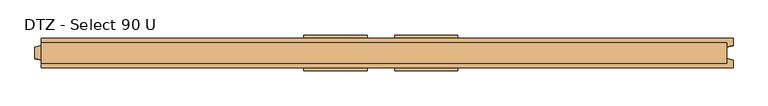
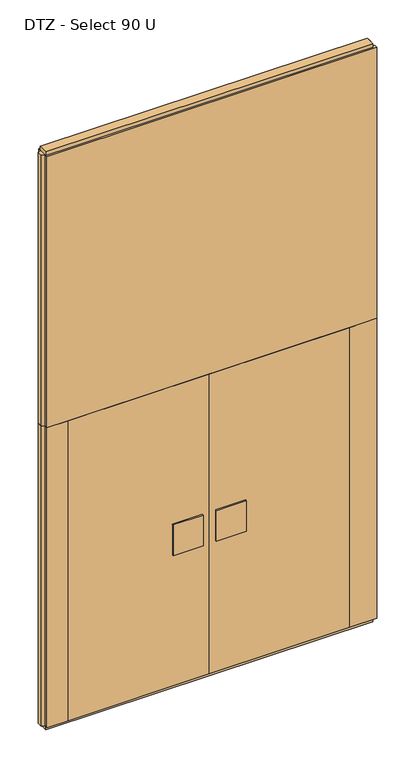
"""IFC4 building model written with IfcOpenShell, lengths in millimetres: door geometry, DTZ - Select 90 U."""

import ifcopenshell
import ifcopenshell.guid

model = None  # the IFC model being written
_history = None  # IfcOwnerHistory: only IFC2X3 demands one
_inside = {}  # id of a spatial element -> (the spatial element, [elements in it])
_under = {}  # id of a project, library or spatial element -> (it, [spatial elements below it])
_declared = {}  # id of a project -> (the project, [libraries it declares])
_typed = {}  # id of a type object -> (the type object, [elements of that type])
_made_of = {}  # id of a material, layer set ... -> (it, [elements and type objects made of it])


def new_model(schema):
    """Start an empty IFC model of exactly this schema.

    Asked for "IFC4X3", IfcOpenShell would pick the latest addendum, in which some entities
    have other attributes; the version numbers below select the first issue.
    IFC2X3 requires an IfcOwnerHistory on every rooted entity: one is made here for all.
    """
    global model, _history
    if schema == "IFC4X3":
        model = ifcopenshell.file(schema_version=(4, 3, 0, 0))
    else:
        model = ifcopenshell.file(schema=schema)
    _inside.clear()
    _under.clear()
    _declared.clear()
    _typed.clear()
    _made_of.clear()
    _history = None
    if model.schema == "IFC2X3":
        org = make("IfcOrganization", Name="unknown")
        user = make(
            "IfcPersonAndOrganization",
            ThePerson=make("IfcPerson", FamilyName="unknown"),
            TheOrganization=org,
        )
        app = make(
            "IfcApplication",
            ApplicationDeveloper=org,
            Version="unknown",
            ApplicationFullName="unknown",
            ApplicationIdentifier="unknown",
        )
        _history = make(
            "IfcOwnerHistory",
            OwningUser=user,
            OwningApplication=app,
            ChangeAction="ADDED",
            CreationDate=0,
        )
    return model


def make(cls, **values):
    """One entity of the class cls with the attributes given. An attribute that is None is left unset."""
    return model.create_entity(
        cls, **{name: value for name, value in values.items() if value is not None}
    )


def rooted(cls, **values):
    """An entity with a GlobalId (a new one), such as an element, a storey or a relation."""
    return make(cls, GlobalId=ifcopenshell.guid.new(), OwnerHistory=_history, **values)


def si_unit(unit_type, name, prefix=None):
    """IfcSIUnit, for example si_unit("LENGTHUNIT", "METRE", prefix="MILLI")."""
    return make("IfcSIUnit", UnitType=unit_type, Prefix=prefix, Name=name)


def assignment(units):
    """IfcUnitAssignment: the units of a project."""
    return None if units is None else make("IfcUnitAssignment", Units=units)


def point(xyz):
    """IfcCartesianPoint."""
    return None if xyz is None else make("IfcCartesianPoint", Coordinates=xyz)


def direction(xyz):
    """IfcDirection."""
    return None if xyz is None else make("IfcDirection", DirectionRatios=xyz)


def frame(location, z_axis=None, x_axis=None):
    """IfcAxis2Placement3D, a coordinate frame: its origin and axes. An axis left out is left unset."""
    return make(
        "IfcAxis2Placement3D",
        Location=point(location),
        Axis=direction(z_axis),
        RefDirection=direction(x_axis),
    )


def origin():
    """The frame at (0, 0, 0) with its axes left unset."""
    return frame((0.0, 0.0, 0.0))


def origin_with_axes():
    """The frame at (0, 0, 0) with the z axis (0, 0, 1) and the x axis (1, 0, 0) written out."""
    return frame((0.0, 0.0, 0.0), z_axis=(0.0, 0.0, 1.0), x_axis=(1.0, 0.0, 0.0))


def place(relative_to, where):
    """IfcLocalPlacement: puts the frame where relative to a parent placement (None: the world)."""
    return make(
        "IfcLocalPlacement", PlacementRelTo=relative_to, RelativePlacement=where
    )


def context(
    kind, dimensions, precision=None, world=None, true_north=None, identifier=None
):
    """IfcGeometricRepresentationContext, for example the 3D "Model" context."""
    return make(
        "IfcGeometricRepresentationContext",
        ContextIdentifier=identifier,
        ContextType=kind,
        CoordinateSpaceDimension=dimensions,
        Precision=precision,
        WorldCoordinateSystem=world,
        TrueNorth=true_north,
    )


def project(units=None, contexts=None):
    """IfcProject with its units and contexts."""
    return rooted(
        "IfcProject",
        Name="project",
        RepresentationContexts=contexts,
        UnitsInContext=assignment(units),
    )


def spatial(cls, under=None, at=None, **own):
    """A site, building, storey or space (cls), placed at a placement, below another one or the project."""
    s = rooted(cls, ObjectPlacement=at, **own)
    if under is not None:
        _under.setdefault(under.id(), (under, []))[1].append(s)
    return s


def polyline(points):
    """IfcPolyline through the points."""
    return make("IfcPolyline", Points=[point(p) for p in points])


def outline(outer, holes=None, kind="AREA"):
    """IfcArbitraryClosedProfileDef: a profile drawn as a closed curve; with holes, ...WithVoids."""
    if holes is None:
        return make("IfcArbitraryClosedProfileDef", ProfileType=kind, OuterCurve=outer)
    return make(
        "IfcArbitraryProfileDefWithVoids",
        ProfileType=kind,
        OuterCurve=outer,
        InnerCurves=holes,
    )


def extrude(swept, where, along, depth):
    """IfcExtrudedAreaSolid: the profile swept, set in the frame where, extruded along a direction by depth."""
    return make(
        "IfcExtrudedAreaSolid",
        SweptArea=swept,
        Position=where,
        ExtrudedDirection=direction(along),
        Depth=depth,
    )


def shape(context_of_items, identifier, shape_type, items):
    """IfcShapeRepresentation: the items that make up one representation, for example the "Body"."""
    return make(
        "IfcShapeRepresentation",
        ContextOfItems=context_of_items,
        RepresentationIdentifier=identifier,
        RepresentationType=shape_type,
        Items=items,
    )


def source(mapping_origin, context_of_items, identifier, shape_type, items):
    """IfcRepresentationMap: a shape defined once, which mapped items show again and again."""
    return make(
        "IfcRepresentationMap",
        MappingOrigin=mapping_origin,
        MappedRepresentation=shape(context_of_items, identifier, shape_type, items),
    )


def transform(
    local_origin,
    x_axis=None,
    y_axis=None,
    z_axis=None,
    scale=None,
    scale2=None,
    scale3=None,
    uniform=True,
):
    """IfcCartesianTransformationOperator3D, or its non-uniform kind. x_axis, y_axis, z_axis: its Axis1, 2, 3."""
    if uniform:
        return make(
            "IfcCartesianTransformationOperator3D",
            Axis1=direction(x_axis),
            Axis2=direction(y_axis),
            LocalOrigin=point(local_origin),
            Scale=scale,
            Axis3=direction(z_axis),
        )
    return make(
        "IfcCartesianTransformationOperator3DnonUniform",
        Axis1=direction(x_axis),
        Axis2=direction(y_axis),
        LocalOrigin=point(local_origin),
        Scale=scale,
        Axis3=direction(z_axis),
        Scale2=scale2,
        Scale3=scale3,
    )


def mapped(mapping_source, mapping_target):
    """IfcMappedItem: shows the shape of a source again, moved by a transform."""
    return make(
        "IfcMappedItem", MappingSource=mapping_source, MappingTarget=mapping_target
    )


def made_of(thing, what):
    """Note that an element or type object is made of a material, layer set ...; save() writes the relation."""
    if what is not None:
        _made_of.setdefault(what.id(), (what, []))[1].append(thing)
    return thing


def element(
    cls,
    number,
    at=None,
    inside=None,
    cuts=None,
    type_object=None,
    material=None,
    context=None,
    identifier="Body",
    shape_type=None,
    held_by="IfcProductDefinitionShape",
    body=None,
    shapes=None,
    **own,
):
    """One element of the class cls, such as IfcWall. Its Tag is "e" and its number.

    at: its placement. inside: the storey or other place that contains it. cuts: it is an
    opening in that element (IfcRelVoidsElement). A single representation is given by context,
    identifier, shape_type and body (its items); several are given by shapes. held_by: the class
    of the entity that holds the representations. save() writes the other relations.
    """
    e = rooted(cls, Tag="e%d" % number, ObjectPlacement=at, **own)
    if body is not None:
        shapes = [shape(context, identifier, shape_type, body)]
    if shapes is not None:
        e.Representation = make(held_by, Representations=shapes)
    if inside is not None:
        _inside.setdefault(inside.id(), (inside, []))[1].append(e)
    if cuts is not None:
        rooted(
            "IfcRelVoidsElement", RelatingBuildingElement=cuts, RelatedOpeningElement=e
        )
    if type_object is not None:
        _typed.setdefault(type_object.id(), (type_object, []))[1].append(e)
    return made_of(e, material)


def aggregate(whole, parts):
    """IfcRelAggregates: a whole, such as a stair, and the parts it consists of."""
    return rooted("IfcRelAggregates", RelatingObject=whole, RelatedObjects=parts)


def save(model, path):
    """Write the relations noted so far, then the file.

    IfcRelAggregates (storeys below a building ...), IfcRelContainedInSpatialStructure (elements
    in a storey), IfcRelDefinesByType, IfcRelAssociatesMaterial and IfcRelDeclares: one each for
    every whole, place, type object, material and project.
    """
    for whole, parts in _under.values():
        aggregate(whole, parts)
    for where, things in _inside.values():
        rooted(
            "IfcRelContainedInSpatialStructure",
            RelatedElements=things,
            RelatingStructure=where,
        )
    for kind, things in _typed.values():
        rooted("IfcRelDefinesByType", RelatedObjects=things, RelatingType=kind)
    for what, things in _made_of.values():
        rooted("IfcRelAssociatesMaterial", RelatedObjects=things, RelatingMaterial=what)
    for by, libraries in _declared.values():
        rooted("IfcRelDeclares", RelatingContext=by, RelatedDefinitions=libraries)
    model.write(path)


def dtz_select_90_u_ca05f7d1(model_context):
    return source(origin(), model_context, "Body", "SweptSolid", [
        extrude(outline(polyline([(43.0, -56.0), (43.0, -46.0), (240.0, -46.0), (240.0, -56.0), (43.0, -56.0)])), frame((0.0, 0.0, 934.0), z_axis=(0.0, 0.0, 1.0), x_axis=(1.0, 0.0, 0.0)), (0.0, 0.0, 1.0), 212.0),
        extrude(outline(polyline([(43.0, 46.0), (43.0, 56.0), (240.0, 56.0), (240.0, 46.0), (43.0, 46.0)])), frame((0.0, 0.0, 934.0), z_axis=(0.0, 0.0, 1.0), x_axis=(1.0, 0.0, 0.0)), (0.0, 0.0, 1.0), 212.0),
        extrude(outline(polyline([(-920.0, -46.0), (-920.0, 46.0), (0.0, 46.0), (0.0, -46.0), (-920.0, -46.0)])), frame((0.0, 0.0, 25.0), z_axis=(0.0, 0.0, 1.0), x_axis=(1.0, 0.0, 0.0)), (0.0, 0.0, 1.0), 2075.0),
        extrude(outline(polyline([(0.0, -46.0), (0.0, 46.0), (920.0, 46.0), (920.0, -46.0), (0.0, -46.0)])), frame((0.0, 0.0, 25.0), z_axis=(0.0, 0.0, 1.0), x_axis=(1.0, 0.0, 0.0)), (0.0, 0.0, 1.0), 2075.0),
        extrude(outline(polyline([(-240.0, -56.0), (-240.0, -46.0), (-43.0, -46.0), (-43.0, -56.0), (-240.0, -56.0)])), frame((0.0, 0.0, 934.0), z_axis=(0.0, 0.0, 1.0), x_axis=(1.0, 0.0, 0.0)), (0.0, 0.0, 1.0), 212.0),
        extrude(outline(polyline([(-240.0, 46.0), (-240.0, 56.0), (-43.0, 56.0), (-43.0, 46.0), (-240.0, 46.0)])), frame((0.0, 0.0, 934.0), z_axis=(0.0, 0.0, 1.0), x_axis=(1.0, 0.0, 0.0)), (0.0, 0.0, 1.0), 212.0),
        extrude(outline(polyline([(1080.0, 32.0), (1080.0, -32.0), (-1060.0, -32.0), (-1060.0, 32.0), (1080.0, 32.0)])), origin_with_axes(), (0.0, 0.0, 1.0), 25.0),
        extrude(outline(polyline([(1080.0, 32.0), (1080.0, -32.0), (-1060.0, -32.0), (-1060.0, 32.0), (1080.0, 32.0)])), frame((0.0, 0.0, 3975.0), z_axis=(0.0, 0.0, 1.0), x_axis=(1.0, 0.0, 0.0)), (0.0, 0.0, 1.0), 25.0),
        extrude(outline(polyline([(1100.0, -46.0), (920.0, -46.0), (920.0, 46.0), (1100.0, 46.0), (1100.0, 23.0), (1080.0, 17.6410162), (1080.0, -17.6410162), (1100.0, -23.0), (1100.0, -46.0)])), frame((0.0, 0.0, 25.0), z_axis=(0.0, 0.0, 1.0), x_axis=(1.0, 0.0, 0.0)), (0.0, 0.0, 1.0), 2075.0),
        extrude(outline(polyline([(-1060.0, -46.0), (-1060.0, -23.0), (-1080.0, -17.6410162), (-1080.0, 17.6410162), (-1060.0, 23.0), (-1060.0, 46.0), (-920.0, 46.0), (-920.0, -46.0), (-1060.0, -46.0)])), frame((0.0, 0.0, 25.0), z_axis=(0.0, 0.0, 1.0), x_axis=(1.0, 0.0, 0.0)), (0.0, 0.0, 1.0), 2075.0),
        extrude(outline(polyline([(1100.0, 46.0), (1100.0, 23.0), (1080.0, 17.6410162), (1080.0, -17.6410162), (1100.0, -23.0), (1100.0, -46.0), (-1060.0, -46.0), (-1060.0, -23.0), (-1080.0, -17.6410162), (-1080.0, 17.6410162), (-1060.0, 23.0), (-1060.0, 46.0), (1100.0, 46.0)])), frame((0.0, 0.0, 2100.0), z_axis=(0.0, 0.0, 1.0), x_axis=(1.0, 0.0, 0.0)), (0.0, 0.0, 1.0), 1875.0),
    ])


if __name__ == "__main__":
    model = new_model("IFC4")
    model_context = context("Model", 3, world=origin())
    ifc_project = project(units=[si_unit("LENGTHUNIT", "METRE", prefix="MILLI")], contexts=[model_context])
    site = spatial("IfcSite", under=ifc_project)
    building = spatial("IfcBuilding", under=site)
    placement = place(None, origin())
    dtz_select_90_u_shape = dtz_select_90_u_ca05f7d1(model_context)
    element("IfcDoor", 1, ObjectType="DTZ - Select 90 U", at=placement, inside=building, context=model_context, shape_type="MappedRepresentation", body=[
        mapped(dtz_select_90_u_shape, transform((0.0, 0.0, 0.0), x_axis=(1.0, 0.0, 0.0), y_axis=(0.0, 1.0, 0.0), z_axis=(0.0, 0.0, 1.0))),
    ])
    save(model, "model.ifc")
